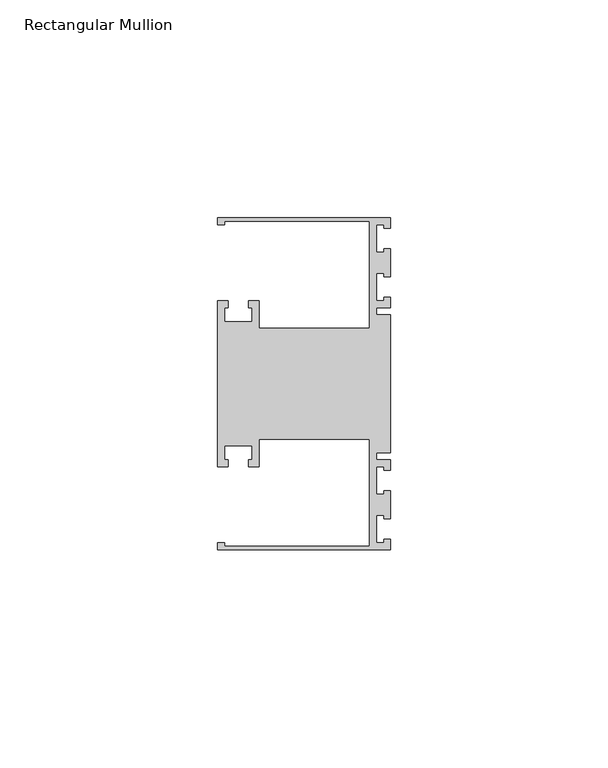
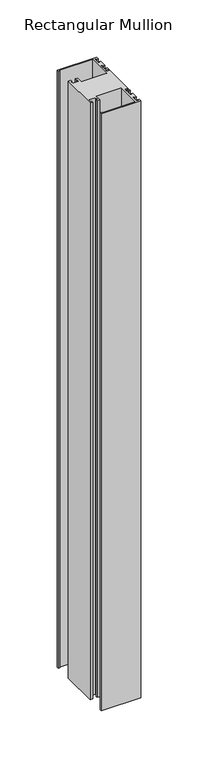
"""IFC4 building model written with IfcOpenShell, lengths in millimetres: member geometry, Rectangular Mullion."""

from ifc_helpers import new_model, si_unit, frame, origin, place, context, project, spatial, polyline, outline, extrude, source, transform, mapped, element, save


def rectangular_mullion_d681629d(model_context):
    return source(origin(), model_context, "Body", "SweptSolid", [
        extrude(outline(polyline([(0.0, 38.1), (0.0, 35.71875), (-1.4999946, 35.71875), (-1.4999946, 36.5125), (-3.175, 36.5125), (-3.175, 30.1625), (-1.4999946, 30.1625), (-1.4999946, 30.95625), (0.0, 30.95625), (0.0, 24.60625), (-1.4999946, 24.60625), (-1.4999946, 25.4), (-3.175, 25.4), (-3.175, 19.05), (-1.4999946, 19.05), (-1.4999946, 19.84375), (0.0, 19.84375), (0.0, 17.4625), (-3.175, 17.4625), (-3.175, 15.875), (0.0, 15.875), (0.0, -15.875), (-3.175, -15.875), (-3.175, -17.4625), (0.0, -17.4625), (0.0, -19.84375), (-1.4999946, -19.84375), (-1.4999946, -19.05), (-3.175, -19.05), (-3.175, -25.4), (-1.4999946, -25.4), (-1.4999946, -24.60625), (0.0, -24.60625), (0.0, -30.95625), (-1.4999946, -30.95625), (-1.4999946, -30.1625), (-3.175, -30.1625), (-3.175, -36.5125), (-1.4999946, -36.5125), (-1.4999946, -35.71875), (0.0, -35.71875), (0.0, -38.1), (-39.6875, -38.1), (-39.6875, -36.5125), (-38.1, -36.5125), (-38.1, -37.30625), (-4.7625, -37.30625), (-4.7625, -12.7), (-30.1625, -12.7), (-30.1625, -19.05), (-32.54375, -19.05), (-32.54375, -17.4625), (-31.75, -17.4625), (-31.75, -14.2875), (-38.1, -14.2875), (-38.1, -17.4625), (-37.30625, -17.4625), (-37.30625, -19.05), (-39.6875, -19.05), (-39.6875, 19.05), (-37.30625, 19.05), (-37.30625, 17.4625), (-38.1, 17.4625), (-38.1, 14.2875), (-31.75, 14.2875), (-31.75, 17.4625), (-32.54375, 17.4625), (-32.54375, 19.05), (-30.1625, 19.05), (-30.1625, 12.7), (-4.7625, 12.7), (-4.7625, 37.30625), (-38.1, 37.30625), (-38.1, 36.5125), (-39.6875, 36.5125), (-39.6875, 38.1), (0.0, 38.1)])), frame((0.0, 0.0, -635.0), z_axis=(0.0, 0.0, 1.0), x_axis=(1.0, 0.0, 0.0)), (0.0, 0.0, 1.0), 635.0),
    ])


if __name__ == "__main__":
    model = new_model("IFC4")
    model_context = context("Model", 3, world=origin())
    ifc_project = project(units=[si_unit("LENGTHUNIT", "METRE", prefix="MILLI")], contexts=[model_context])
    site = spatial("IfcSite", under=ifc_project)
    building = spatial("IfcBuilding", under=site)
    placement = place(None, origin())
    rectangular_mullion_shape = rectangular_mullion_d681629d(model_context)
    element("IfcMember", 1, ObjectType="Rectangular Mullion", at=placement, inside=building, context=model_context, shape_type="MappedRepresentation", body=[
        mapped(rectangular_mullion_shape, transform((0.0, 0.0, 0.0), x_axis=(1.0, 0.0, 0.0), y_axis=(0.0, 1.0, 0.0), z_axis=(0.0, 0.0, 1.0))),
    ])
    save(model, "model.ifc")
